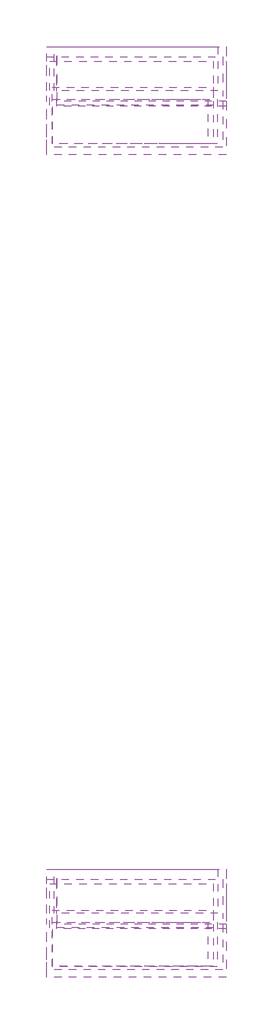
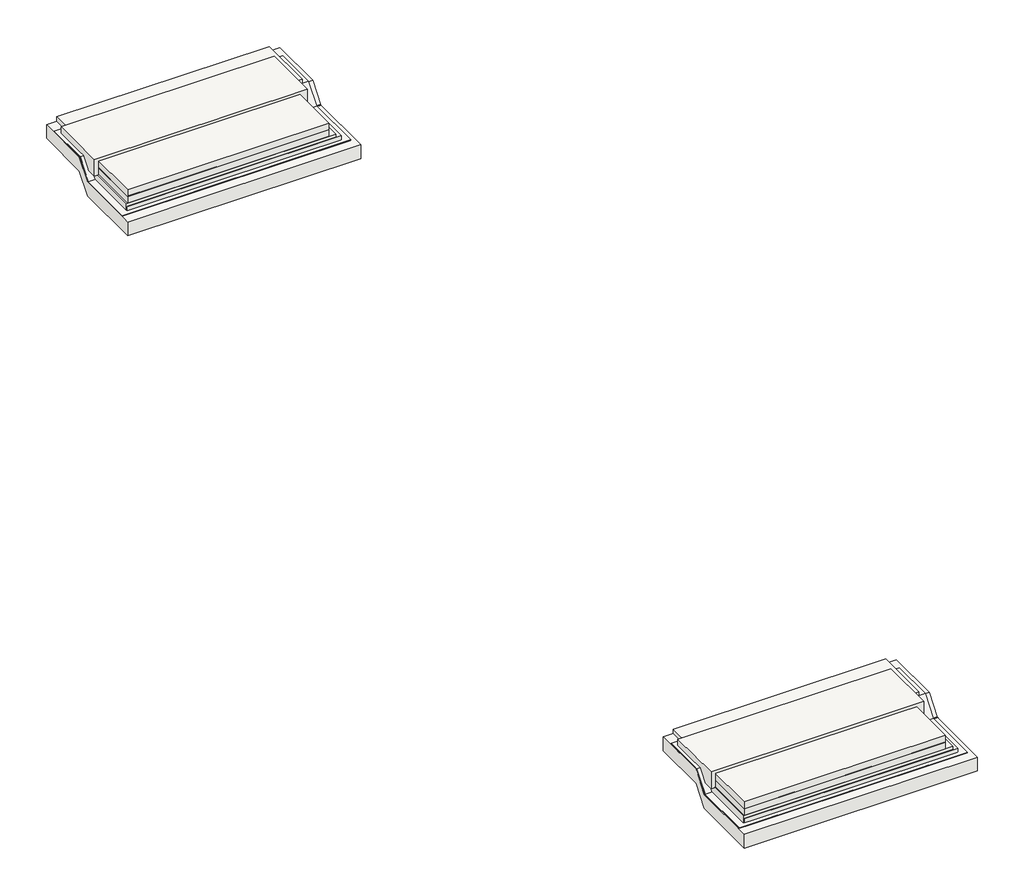
# One storey: 20 slabs.
"""IFC4 building model written with IfcOpenShell, lengths in millimetres."""

from ifc_helpers import new_model, si_unit, frame, origin, place, context, project, spatial, polyline, outline, extrude, faceted_brep, element, save

model = new_model("IFC4")

# Units and contexts
model_context = context("Model", 3, world=origin())
ifc_project = project(units=[si_unit("LENGTHUNIT", "METRE", prefix="MILLI")], contexts=[model_context])

# Site, building, storey
site = spatial("IfcSite", under=ifc_project)
building = spatial("IfcBuilding", under=site)
storey = spatial("IfcBuildingStorey", under=building, Elevation=-4600.0)

# Slabs
placement = place(None, origin())
element("IfcSlab", 1, at=placement, inside=storey, context=model_context, shape_type="SweptSolid", body=[
    extrude(outline(polyline([(6080.2849674, 1825.2946397), (6080.2849674, 3005.2946397), (10224.704592, 3005.2946397), (10224.704592, 1825.2946397), (6080.2849674, 1825.2946397)])), frame((0.0, 0.0, 430.0), z_axis=(0.0, 0.0, 1.0), x_axis=(1.0, 0.0, 0.0)), (0.0, 0.0, 1.0), 150.0),
])
element("IfcSlab", 2, at=placement, inside=storey, context=model_context, shape_type="SweptSolid", body=[
    extrude(outline(polyline([(10493.9819706, 3236.9842149), (6119.0406518, 3236.9842149), (6119.0406518, 4416.9842149), (10493.9819706, 4416.9842149), (10493.9819706, 3236.9842149)])), frame((0.0, 0.0, 355.0), z_axis=(0.0, 0.0, 1.0), x_axis=(1.0, 0.0, 0.0)), (0.0, 0.0, 1.0), 225.0),
])
element("IfcSlab", 3, at=placement, inside=storey, context=model_context, shape_type="SweptSolid", body=[
    extrude(outline(polyline([(5989.7416205, 2852.0556896), (5989.7416205, 4032.0556896), (10373.9819706, 4032.0556896), (10373.9819706, 2852.0556896), (5989.7416205, 2852.0556896)])), frame((0.0, 0.0, 278.0), z_axis=(0.0, 0.0, 1.0), x_axis=(1.0, 0.0, 0.0)), (0.0, 0.0, 1.0), 362.0),
])
element("IfcSlab", 4, at=placement, inside=storey, context=model_context, shape_type="SweptSolid", body=[
    extrude(outline(polyline([(6059.1563901, 1826.7918559), (6059.1563901, 3326.7918559), (10373.9819706, 3326.7918559), (10373.9819706, 1826.7918559), (6059.1563901, 1826.7918559)])), frame((0.0, 0.0, -77.0), z_axis=(0.0, 0.0, 1.0), x_axis=(1.0, 0.0, 0.0)), (0.0, 0.0, 1.0), 362.0),
])
element("IfcSlab", 5, at=placement, inside=storey, context=model_context, shape_type="SweptSolid", body=[
    extrude(outline(polyline([(6071.9832761, 1815.404865), (6071.9832761, 3008.217904), (10473.9819706, 3008.217904), (10473.9819706, 1815.404865), (6071.9832761, 1815.404865)])), frame((0.0, 0.0, -5.0), z_axis=(0.0, 0.0, 1.0), x_axis=(1.0, 0.0, 0.0)), (0.0, 0.0, 1.0), 225.0),
])
element("IfcSlab", 6, at=placement, inside=storey, context=model_context, shape_type="SweptSolid", body=[
    extrude(outline(polyline([(1731.5425531, -80.0), (1731.5425531, 130.0), (2942.1669268, 130.0), (3235.8495175, 499.040001), (4152.7913006, 497.0425109), (4152.7913006, 287.0425109), (3235.8495175, 289.040001), (2942.1669268, -80.0), (1731.5425531, -80.0)])), frame((5919.9236364, 0.0, 0.0), z_axis=(1.0, 0.0, 0.0), x_axis=(0.0, 1.0, 0.0)), (0.0, 0.0, 1.0), 4700.0),
])
element("IfcSlab", 7, at=placement, inside=storey, context=model_context, shape_type="SweptSolid", body=[
    extrude(outline(polyline([(1525.2946397, -185.8082358), (1525.2946397, 114.1917642), (2951.6854715, 114.1917642), (3245.3680622, 483.2317652), (4419.9303426, 481.2342751), (4419.9303426, 181.2342751), (3245.3680622, 183.2317652), (2951.6854715, -185.8082358), (1525.2946397, -185.8082358)])), frame((5910.4390568, 0.0, 0.0), z_axis=(1.0, 0.0, 0.0), x_axis=(0.0, 1.0, 0.0)), (0.0, 0.0, 1.0), 4800.0),
])
element("IfcSlab", 8, at=placement, inside=storey, context=model_context, shape_type="Brep", body=[
    faceted_brep([(6188.0881553, 2821.8316916, -187.1093488), (6188.0881553, 2821.8316916, 112.8906512), (6188.0881553, 3230.8869293, 138.4918444), (6188.0881553, 3383.5574106, 182.9991834), (6188.0881553, 4419.6292417, 212.8906512), (6188.0881553, 4419.6292417, -87.1093488), (6188.0881553, 3383.5574106, -117.0008166), (6188.0881553, 3230.8869293, -161.5081556), (10710.4390568, 4419.6292417, 212.8906512), (10710.4390568, 4419.6292417, -87.1093488), (10710.4390568, 3383.5574106, 188.8905927), (10710.4390568, 3230.8869293, 183.2317652), (10710.4390568, 2821.8316916, 84.7356618), (10710.4390568, 2821.8316916, -215.2643382), (10710.4390568, 3230.8869293, -116.7682348), (10710.4390568, 3383.5574106, -111.1094073)], [[[0, 1, 2, 3, 4, 5, 6, 7]], [[5, 4, 8, 9]], [[9, 8, 10, 11, 12, 13, 14, 15]], [[13, 12, 1, 0]], [[12, 11, 2]], [[8, 4, 3]], [[13, 7, 14]], [[9, 6, 5]], [[12, 2, 1]], [[13, 0, 7]], [[11, 3, 2]], [[8, 3, 10]], [[14, 7, 6]], [[9, 15, 6]], [[11, 10, 3]], [[14, 6, 15]]]),
])
element("IfcSlab", 9, at=placement, inside=storey, context=model_context, shape_type="SweptSolid", body=[
    extrude(outline(polyline([(6201.3770831, 2951.6854715), (6201.3770831, 4419.9303426), (10710.4390568, 4419.9303426), (10710.4390568, 2951.6854715), (6201.3770831, 2951.6854715)])), frame((0.0, 0.0, -174.1886143), z_axis=(0.0, 0.0, 1.0), x_axis=(1.0, 0.0, 0.0)), (0.0, 0.0, 1.0), 300.0),
])
element("IfcSlab", 10, at=placement, inside=storey, context=model_context, shape_type="SweptSolid", body=[
    extrude(outline(polyline([(6080.2849674, -20174.7053603), (6080.2849674, -18994.7053603), (10224.704592, -18994.7053603), (10224.704592, -20174.7053603), (6080.2849674, -20174.7053603)])), frame((0.0, 0.0, 430.0), z_axis=(0.0, 0.0, 1.0), x_axis=(1.0, 0.0, 0.0)), (0.0, 0.0, 1.0), 150.0),
])
element("IfcSlab", 11, at=placement, inside=storey, context=model_context, shape_type="SweptSolid", body=[
    extrude(outline(polyline([(10493.9819706, -18763.0157851), (6119.0406518, -18763.0157851), (6119.0406518, -17583.0157851), (10493.9819706, -17583.0157851), (10493.9819706, -18763.0157851)])), frame((0.0, 0.0, 355.0), z_axis=(0.0, 0.0, 1.0), x_axis=(1.0, 0.0, 0.0)), (0.0, 0.0, 1.0), 225.0),
])
element("IfcSlab", 12, at=placement, inside=storey, context=model_context, shape_type="SweptSolid", body=[
    extrude(outline(polyline([(5989.7416205, -19147.9443104), (5989.7416205, -17967.9443104), (10373.9819706, -17967.9443104), (10373.9819706, -19147.9443104), (5989.7416205, -19147.9443104)])), frame((0.0, 0.0, 278.0), z_axis=(0.0, 0.0, 1.0), x_axis=(1.0, 0.0, 0.0)), (0.0, 0.0, 1.0), 362.0),
])
element("IfcSlab", 13, at=placement, inside=storey, context=model_context, shape_type="SweptSolid", body=[
    extrude(outline(polyline([(6059.1563901, -20173.2081441), (6059.1563901, -18673.2081441), (10373.9819706, -18673.2081441), (10373.9819706, -20173.2081441), (6059.1563901, -20173.2081441)])), frame((0.0, 0.0, -77.0), z_axis=(0.0, 0.0, 1.0), x_axis=(1.0, 0.0, 0.0)), (0.0, 0.0, 1.0), 362.0),
])
element("IfcSlab", 14, at=placement, inside=storey, context=model_context, shape_type="SweptSolid", body=[
    extrude(outline(polyline([(6071.9832761, -20184.595135), (6071.9832761, -18991.782096), (10473.9819706, -18991.782096), (10473.9819706, -20184.595135), (6071.9832761, -20184.595135)])), frame((0.0, 0.0, -5.0), z_axis=(0.0, 0.0, 1.0), x_axis=(1.0, 0.0, 0.0)), (0.0, 0.0, 1.0), 225.0),
])
element("IfcSlab", 15, at=placement, inside=storey, context=model_context, shape_type="SweptSolid", body=[
    extrude(outline(polyline([(-20268.4574469, -80.0), (-20268.4574469, 130.0), (-19057.8330732, 130.0), (-18764.1504825, 499.040001), (-17847.2086994, 497.0425109), (-17847.2086994, 287.0425109), (-18764.1504825, 289.040001), (-19057.8330732, -80.0), (-20268.4574469, -80.0)])), frame((5919.9236364, 0.0, 0.0), z_axis=(1.0, 0.0, 0.0), x_axis=(0.0, 1.0, 0.0)), (0.0, 0.0, 1.0), 4700.0),
])
element("IfcSlab", 16, at=placement, inside=storey, context=model_context, shape_type="SweptSolid", body=[
    extrude(outline(polyline([(-20474.7053603, -185.8082358), (-20474.7053603, 114.1917642), (-19048.3145285, 114.1917642), (-18754.6319378, 483.2317652), (-17580.0696574, 481.2342751), (-17580.0696574, 181.2342751), (-18754.6319378, 183.2317652), (-19048.3145285, -185.8082358), (-20474.7053603, -185.8082358)])), frame((5910.4390568, 0.0, 0.0), z_axis=(1.0, 0.0, 0.0), x_axis=(0.0, 1.0, 0.0)), (0.0, 0.0, 1.0), 4800.0),
])
element("IfcSlab", 17, at=placement, inside=storey, context=model_context, shape_type="Brep", body=[
    faceted_brep([(6188.0881553, -19178.1683084, -187.1093488), (6188.0881553, -19178.1683084, 112.8906512), (6188.0881553, -18769.1130707, 138.4918444), (6188.0881553, -18616.4425894, 182.9991834), (6188.0881553, -17580.3707583, 212.8906512), (6188.0881553, -17580.3707583, -87.1093488), (6188.0881553, -18616.4425894, -117.0008166), (6188.0881553, -18769.1130707, -161.5081556), (10710.4390568, -17580.3707583, 212.8906512), (10710.4390568, -17580.3707583, -87.1093488), (10710.4390568, -18616.4425894, 188.8905927), (10710.4390568, -18769.1130707, 183.2317652), (10710.4390568, -19178.1683084, 84.7356618), (10710.4390568, -19178.1683084, -215.2643382), (10710.4390568, -18769.1130707, -116.7682348), (10710.4390568, -18616.4425894, -111.1094073)], [[[0, 1, 2, 3, 4, 5, 6, 7]], [[5, 4, 8, 9]], [[9, 8, 10, 11, 12, 13, 14, 15]], [[13, 12, 1, 0]], [[12, 11, 2]], [[8, 4, 3]], [[13, 7, 14]], [[9, 6, 5]], [[12, 2, 1]], [[13, 0, 7]], [[11, 3, 2]], [[8, 3, 10]], [[14, 7, 6]], [[9, 15, 6]], [[11, 10, 3]], [[14, 6, 15]]]),
])
element("IfcSlab", 18, at=placement, inside=storey, context=model_context, shape_type="SweptSolid", body=[
    extrude(outline(polyline([(6201.3770831, -19048.3145285), (6201.3770831, -17580.0696574), (10710.4390568, -17580.0696574), (10710.4390568, -19048.3145285), (6201.3770831, -19048.3145285)])), frame((0.0, 0.0, -174.1886143), z_axis=(0.0, 0.0, 1.0), x_axis=(1.0, 0.0, 0.0)), (0.0, 0.0, 1.0), 300.0),
])
element("IfcSlab", 19, at=placement, inside=storey, context=model_context, shape_type="SweptSolid", body=[
    extrude(outline(polyline([(6080.2849674, -20174.7053603), (6080.2849674, -18994.7053603), (10224.704592, -18994.7053603), (10224.704592, -20174.7053603), (6080.2849674, -20174.7053603)])), frame((0.0, 0.0, 290.0), z_axis=(0.0, 0.0, 1.0), x_axis=(1.0, 0.0, 0.0)), (0.0, 0.0, 1.0), 150.0),
])
element("IfcSlab", 20, at=placement, inside=storey, context=model_context, shape_type="SweptSolid", body=[
    extrude(outline(polyline([(6080.2849674, 1825.2946397), (6080.2849674, 3005.2946397), (10224.704592, 3005.2946397), (10224.704592, 1825.2946397), (6080.2849674, 1825.2946397)])), frame((0.0, 0.0, 290.0), z_axis=(0.0, 0.0, 1.0), x_axis=(1.0, 0.0, 0.0)), (0.0, 0.0, 1.0), 150.0),
])

save(model, "model.ifc")
